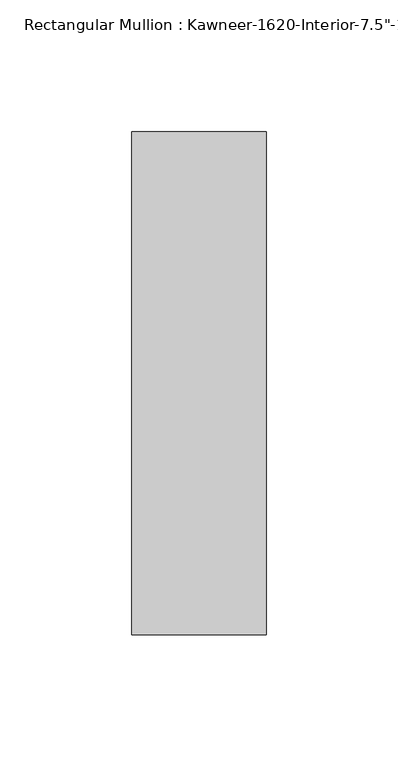
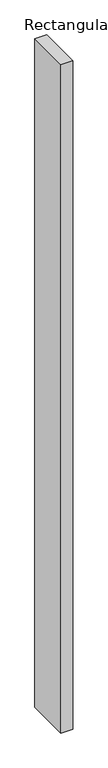
"""IFC4 building model written with IfcOpenShell, lengths in millimetres: member geometry."""

from ifc_helpers import new_model, si_unit, frame, origin, place, context, project, spatial, polyline, outline, extrude, source, transform, mapped, element, save


def member_afc7c931(model_context):
    return source(origin(), model_context, "Body", "SweptSolid", [
        extrude(outline(polyline([(25.4, -161.925), (-25.4, -161.925), (-25.4, 28.575), (25.4, 28.575), (25.4, -161.925)])), frame((0.0, 0.0, -2984.5), z_axis=(0.0, 0.0, 1.0), x_axis=(1.0, 0.0, 0.0)), (0.0, 0.0, 1.0), 2984.5),
    ])


if __name__ == "__main__":
    model = new_model("IFC4")
    model_context = context("Model", 3, world=origin())
    ifc_project = project(units=[si_unit("LENGTHUNIT", "METRE", prefix="MILLI")], contexts=[model_context])
    site = spatial("IfcSite", under=ifc_project)
    building = spatial("IfcBuilding", under=site)
    placement = place(None, origin())
    member_shape = member_afc7c931(model_context)
    element("IfcMember", 1, ObjectType="Rectangular Mullion : Kawneer-1620-Interior-7.5\"-1\"_1/4\"Infill", at=placement, inside=building, context=model_context, shape_type="MappedRepresentation", body=[
        mapped(member_shape, transform((0.0, 0.0, 0.0), x_axis=(1.0, 0.0, 0.0), y_axis=(0.0, 1.0, 0.0), z_axis=(0.0, 0.0, 1.0))),
    ])
    save(model, "model.ifc")
